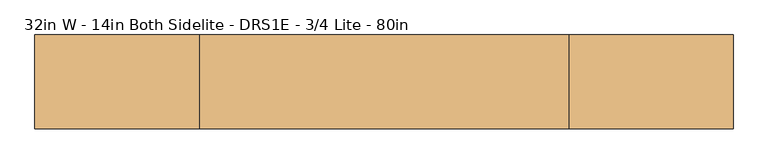
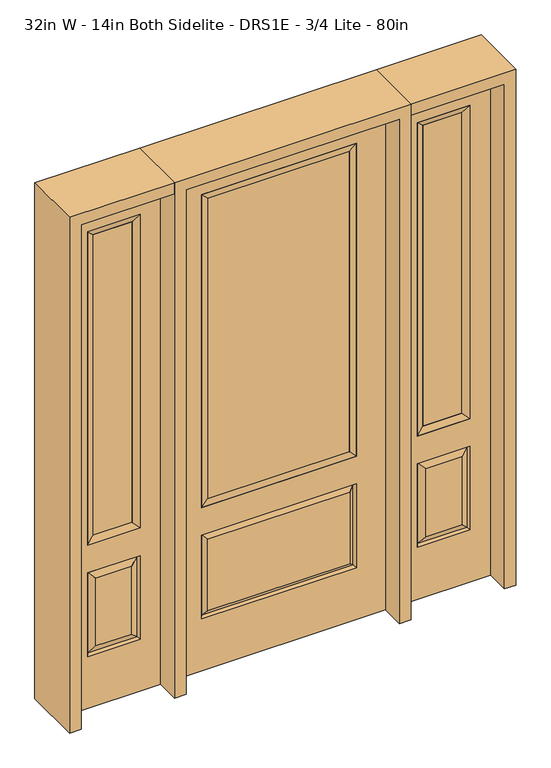
"""IFC4 building model written with IfcOpenShell, lengths in millimetres: door geometry, 32in W - 14in Both Sidelite - DRS1E - 3/4 Lite - 80in."""

from ifc_helpers import new_model, si_unit, frame, origin, place, context, project, spatial, polyline, outline, extrude, faceted_brep, source, transform, mapped, element, save


def door_32in_w_14in_both_sidelite_drs1e_3_4_lite_80in_7dba1b9e(model_context):
    return source(origin(), model_context, "Body", "SolidModel", [
        faceted_brep([(450.85, -22.225, 0.0), (806.45, -22.225, 0.0), (806.45, -22.225, 2032.0), (450.85, -22.225, 2032.0), (728.98, -22.225, 1919.224), (728.98, -22.225, 657.098), (528.32, -22.225, 657.098), (528.32, -22.225, 1919.224), (728.98, -22.225, 209.55), (528.32, -22.225, 209.55), (528.32, -22.225, 546.1), (728.98, -22.225, 546.1), (560.0351001, -22.225, 241.2651001), (697.2648999, -22.225, 241.2651001), (697.2648999, -22.225, 514.3848999), (560.0351001, -22.225, 514.3848999), (450.85, 22.225, 0.0), (450.85, 22.225, 2032.0), (806.45, 22.225, 2032.0), (806.45, 22.225, 0.0), (728.98, 22.225, 1919.224), (528.32, 22.225, 1919.224), (528.32, 22.225, 657.098), (728.98, 22.225, 657.098), (528.32, 22.225, 209.55), (728.98, 22.225, 209.55), (728.98, 22.225, 546.1), (528.32, 22.225, 546.1), (697.2648999, 22.225, 241.2651001), (560.0351001, 22.225, 241.2651001), (560.0351001, 22.225, 514.3848999), (697.2648999, 22.225, 514.3848999), (721.8711499, 12.7912373, 216.6588501), (535.4288501, 12.7912373, 216.6588501), (535.4288501, 12.7912373, 538.9911499), (721.8711499, 12.7912373, 538.9911499), (535.4288501, -12.7912373, 216.6588501), (721.8711499, -12.7912373, 216.6588501), (535.4288501, -12.7912373, 538.9911499), (721.8711499, -12.7912373, 538.9911499)], [[[0, 1, 2, 3], [4, 5, 6, 7], [8, 9, 10, 11]], [[12, 13, 14, 15]], [[16, 17, 18, 19], [20, 21, 22, 23], [24, 25, 26, 27]], [[28, 29, 30, 31]], [[1, 0, 16, 19]], [[2, 1, 19, 18]], [[3, 2, 18, 17]], [[0, 3, 17, 16]], [[5, 4, 20, 23]], [[6, 5, 23, 22]], [[7, 6, 22, 21]], [[4, 7, 21, 20]], [[32, 33, 29, 28]], [[33, 32, 25, 24]], [[29, 33, 34, 30]], [[33, 24, 27, 34]], [[30, 34, 35, 31]], [[34, 27, 26, 35]], [[32, 28, 31, 35]], [[25, 32, 35, 26]], [[12, 36, 37, 13]], [[37, 36, 9, 8]], [[36, 12, 15, 38]], [[9, 36, 38, 10]], [[38, 15, 14, 39]], [[10, 38, 39, 11]], [[13, 37, 39, 14]], [[37, 8, 11, 39]]]),
        faceted_brep([(528.32, 22.225, 1919.224), (528.32, -22.225, 1919.224), (728.98, -22.225, 1919.224), (728.98, 22.225, 1919.224), (553.72, 12.7, 1893.824), (703.58, 12.7, 1893.824), (553.72, -12.7, 1893.824), (703.58, -12.7, 1893.824), (728.98, -22.225, 657.098), (728.98, 22.225, 657.098), (703.58, 12.7, 682.498), (703.58, -12.7, 682.498), (528.32, -22.225, 657.098), (528.32, 22.225, 657.098), (553.72, 12.7, 682.498), (553.72, -12.7, 682.498)], [[[0, 1, 2, 3]], [[4, 0, 3, 5]], [[6, 4, 5, 7]], [[1, 6, 7, 2]], [[3, 2, 8, 9]], [[5, 3, 9, 10]], [[7, 5, 10, 11]], [[2, 7, 11, 8]], [[9, 8, 12, 13]], [[10, 9, 13, 14]], [[11, 10, 14, 15]], [[8, 11, 15, 12]], [[13, 12, 1, 0]], [[14, 13, 0, 4]], [[15, 14, 4, 6]], [[12, 15, 6, 1]]]),
        extrude(outline(polyline([(703.58, -12.7), (553.72, -12.7), (553.72, 12.7), (703.58, 12.7), (703.58, -12.7)])), frame((0.0, 0.0, 682.498), z_axis=(0.0, 0.0, 1.0), x_axis=(1.0, 0.0, 0.0)), (0.0, 0.0, 1.0), 1211.326),
        faceted_brep([(-806.45, -22.225, 0.0), (-450.85, -22.225, 0.0), (-450.85, -22.225, 2032.0), (-806.45, -22.225, 2032.0), (-528.32, -22.225, 1919.224), (-528.32, -22.225, 657.098), (-728.98, -22.225, 657.098), (-728.98, -22.225, 1919.224), (-528.32, -22.225, 209.55), (-728.98, -22.225, 209.55), (-728.98, -22.225, 546.1), (-528.32, -22.225, 546.1), (-697.2648999, -22.225, 241.2651001), (-560.0351001, -22.225, 241.2651001), (-560.0351001, -22.225, 514.3848999), (-697.2648999, -22.225, 514.3848999), (-806.45, 22.225, 0.0), (-806.45, 22.225, 2032.0), (-450.85, 22.225, 2032.0), (-450.85, 22.225, 0.0), (-528.32, 22.225, 1919.224), (-728.98, 22.225, 1919.224), (-728.98, 22.225, 657.098), (-528.32, 22.225, 657.098), (-728.98, 22.225, 209.55), (-528.32, 22.225, 209.55), (-528.32, 22.225, 546.1), (-728.98, 22.225, 546.1), (-560.0351001, 22.225, 241.2651001), (-697.2648999, 22.225, 241.2651001), (-697.2648999, 22.225, 514.3848999), (-560.0351001, 22.225, 514.3848999), (-535.4288501, 12.7912373, 216.6588501), (-721.8711499, 12.7912373, 216.6588501), (-721.8711499, 12.7912373, 538.9911499), (-535.4288501, 12.7912373, 538.9911499), (-721.8711499, -12.7912373, 216.6588501), (-535.4288501, -12.7912373, 216.6588501), (-721.8711499, -12.7912373, 538.9911499), (-535.4288501, -12.7912373, 538.9911499)], [[[0, 1, 2, 3], [4, 5, 6, 7], [8, 9, 10, 11]], [[12, 13, 14, 15]], [[16, 17, 18, 19], [20, 21, 22, 23], [24, 25, 26, 27]], [[28, 29, 30, 31]], [[1, 0, 16, 19]], [[2, 1, 19, 18]], [[3, 2, 18, 17]], [[0, 3, 17, 16]], [[5, 4, 20, 23]], [[6, 5, 23, 22]], [[7, 6, 22, 21]], [[4, 7, 21, 20]], [[32, 33, 29, 28]], [[33, 32, 25, 24]], [[29, 33, 34, 30]], [[33, 24, 27, 34]], [[30, 34, 35, 31]], [[34, 27, 26, 35]], [[32, 28, 31, 35]], [[25, 32, 35, 26]], [[12, 36, 37, 13]], [[37, 36, 9, 8]], [[36, 12, 15, 38]], [[9, 36, 38, 10]], [[38, 15, 14, 39]], [[10, 38, 39, 11]], [[13, 37, 39, 14]], [[37, 8, 11, 39]]]),
        faceted_brep([(-728.98, 22.225, 1919.224), (-728.98, -22.225, 1919.224), (-528.32, -22.225, 1919.224), (-528.32, 22.225, 1919.224), (-703.58, 12.7, 1893.824), (-553.72, 12.7, 1893.824), (-703.58, -12.7, 1893.824), (-553.72, -12.7, 1893.824), (-528.32, -22.225, 657.098), (-528.32, 22.225, 657.098), (-553.72, 12.7, 682.498), (-553.72, -12.7, 682.498), (-728.98, -22.225, 657.098), (-728.98, 22.225, 657.098), (-703.58, 12.7, 682.498), (-703.58, -12.7, 682.498)], [[[0, 1, 2, 3]], [[4, 0, 3, 5]], [[6, 4, 5, 7]], [[1, 6, 7, 2]], [[3, 2, 8, 9]], [[5, 3, 9, 10]], [[7, 5, 10, 11]], [[2, 7, 11, 8]], [[9, 8, 12, 13]], [[10, 9, 13, 14]], [[11, 10, 14, 15]], [[8, 11, 15, 12]], [[13, 12, 1, 0]], [[14, 13, 0, 4]], [[15, 14, 4, 6]], [[12, 15, 6, 1]]]),
        extrude(outline(polyline([(-553.72, -12.7), (-703.58, -12.7), (-703.58, 12.7), (-553.72, 12.7), (-553.72, -12.7)])), frame((0.0, 0.0, 682.498), z_axis=(0.0, 0.0, 1.0), x_axis=(1.0, 0.0, 0.0)), (0.0, 0.0, 1.0), 1211.326),
        faceted_brep([(-288.1661499, -12.7912373, 216.6588501), (288.1661499, -12.7912373, 216.6588501), (270.66875, -22.225, 234.15625), (-270.66875, -22.225, 234.15625), (-295.275, -22.225, 209.55), (295.275, -22.225, 209.55), (-288.1661499, -12.7912373, 538.9911499), (-295.275, -22.225, 546.1), (270.66875, -22.225, 521.49375), (-270.66875, -22.225, 521.49375), (406.4, -22.225, 2032.0), (-406.4, -22.225, 2032.0), (-406.4, -22.225, 0.0), (406.4, -22.225, 0.0), (295.275, -22.225, 546.1), (295.275, -22.225, 1917.7), (295.275, -22.225, 657.098), (-295.275, -22.225, 657.098), (-295.275, -22.225, 1917.7), (288.1661499, -12.7912373, 538.9911499), (-406.4, 22.225, 2032.0), (-406.4, 22.225, 0.0), (406.4, 22.225, 0.0), (406.4, 22.225, 2032.0), (295.275, 22.225, 1917.7), (295.275, 22.225, 657.098), (-295.275, 22.225, 657.098), (-295.275, 22.225, 1917.7), (-295.275, 22.225, 209.55), (295.275, 22.225, 209.55), (295.275, 22.225, 546.1), (-295.275, 22.225, 546.1), (270.66875, 22.225, 234.15625), (-270.66875, 22.225, 234.15625), (-270.66875, 22.225, 521.49375), (270.66875, 22.225, 521.49375), (-288.1661499, 12.7912373, 216.6588501), (288.1661499, 12.7912373, 216.6588501), (288.1661499, 12.7912373, 538.9911499), (-288.1661499, 12.7912373, 538.9911499)], [[[0, 1, 2, 3]], [[1, 0, 4, 5]], [[4, 0, 6, 7]], [[3, 2, 8, 9]], [[10, 11, 12, 13], [5, 4, 7, 14], [15, 16, 17, 18]], [[1, 5, 14, 19]], [[2, 1, 19, 8]], [[0, 3, 9, 6]], [[7, 6, 19, 14]], [[6, 9, 8, 19]], [[12, 11, 20, 21]], [[13, 12, 21, 22]], [[10, 13, 22, 23]], [[16, 15, 24, 25]], [[17, 16, 25, 26]], [[18, 17, 26, 27]], [[23, 22, 21, 20], [28, 29, 30, 31], [24, 27, 26, 25]], [[32, 33, 34, 35]], [[28, 36, 37, 29]], [[29, 37, 38, 30]], [[39, 31, 30, 38]], [[36, 28, 31, 39]], [[37, 36, 33, 32]], [[33, 36, 39, 34]], [[34, 39, 38, 35]], [[37, 32, 35, 38]], [[11, 10, 23, 20]], [[15, 18, 27, 24]]]),
        faceted_brep([(-295.275, -22.225, 1917.7), (-295.275, 22.225, 1917.7), (-295.275, 22.225, 657.098), (-295.275, -22.225, 657.098), (295.275, 22.225, 657.098), (295.275, -22.225, 657.098), (-269.875, 5.08, 682.498), (269.875, 5.08, 682.498), (295.275, 22.225, 1917.7), (295.275, -22.225, 1917.7), (-269.875, -20.32, 682.498), (269.875, -20.32, 682.498), (-269.875, -20.32, 1892.3), (269.875, -20.32, 1892.3), (-269.875, 5.08, 1892.3), (269.875, 5.08, 1892.3)], [[[0, 1, 2, 3]], [[3, 2, 4, 5]], [[2, 6, 7, 4]], [[5, 4, 8, 9]], [[10, 3, 5, 11]], [[12, 0, 3, 10]], [[11, 5, 9, 13]], [[6, 10, 11, 7]], [[14, 12, 10, 6]], [[7, 11, 13, 15]], [[1, 14, 6, 2]], [[4, 7, 15, 8]], [[9, 8, 1, 0]], [[13, 9, 0, 12]], [[15, 13, 12, 14]], [[8, 15, 14, 1]]]),
        extrude(outline(polyline([(269.875, -20.32), (-269.875, -20.32), (-269.875, 5.08), (269.875, 5.08), (269.875, -20.32)])), frame((0.0, 0.0, 682.498), z_axis=(0.0, 0.0, 1.0), x_axis=(1.0, 0.0, 0.0)), (0.0, 0.0, 1.0), 1209.802),
        extrude(outline(polyline([(2032.0, -450.85), (2076.45, -450.85), (2076.45, -850.9), (0.0, -850.9), (0.0, -806.45), (2032.0, -806.45), (2032.0, -450.85)])), frame((0.0, -114.3, 0.0), z_axis=(0.0, 1.0, 0.0), x_axis=(0.0, 0.0, 1.0)), (0.0, 0.0, 1.0), 228.6),
        extrude(outline(polyline([(2076.45, -450.85), (0.0, -450.85), (0.0, -406.4), (2032.0, -406.4), (2032.0, 406.4), (0.0, 406.4), (0.0, 450.85), (2076.45, 450.85), (2076.45, -450.85)])), frame((0.0, -114.3, 0.0), z_axis=(0.0, 1.0, 0.0), x_axis=(0.0, 0.0, 1.0)), (0.0, 0.0, 1.0), 228.6),
        extrude(outline(polyline([(0.0, 806.45), (0.0, 850.9), (2076.45, 850.9), (2076.45, 450.85), (2032.0, 450.85), (2032.0, 806.45), (0.0, 806.45)])), frame((0.0, -114.3, 0.0), z_axis=(0.0, 1.0, 0.0), x_axis=(0.0, 0.0, 1.0)), (0.0, 0.0, 1.0), 228.6),
    ])


if __name__ == "__main__":
    model = new_model("IFC4")
    model_context = context("Model", 3, world=origin())
    ifc_project = project(units=[si_unit("LENGTHUNIT", "METRE", prefix="MILLI")], contexts=[model_context])
    site = spatial("IfcSite", under=ifc_project)
    building = spatial("IfcBuilding", under=site)
    placement = place(None, origin())
    door_32in_w_14in_both_sidelite_drs1e_3_4_lite_80in_shape = door_32in_w_14in_both_sidelite_drs1e_3_4_lite_80in_7dba1b9e(model_context)
    element("IfcDoor", 1, ObjectType="32in W - 14in Both Sidelite - DRS1E - 3/4 Lite - 80in", at=placement, inside=building, context=model_context, shape_type="MappedRepresentation", body=[
        mapped(door_32in_w_14in_both_sidelite_drs1e_3_4_lite_80in_shape, transform((0.0, 0.0, 0.0), x_axis=(1.0, 0.0, 0.0), y_axis=(0.0, 1.0, 0.0), z_axis=(0.0, 0.0, 1.0))),
    ])
    save(model, "model.ifc")
